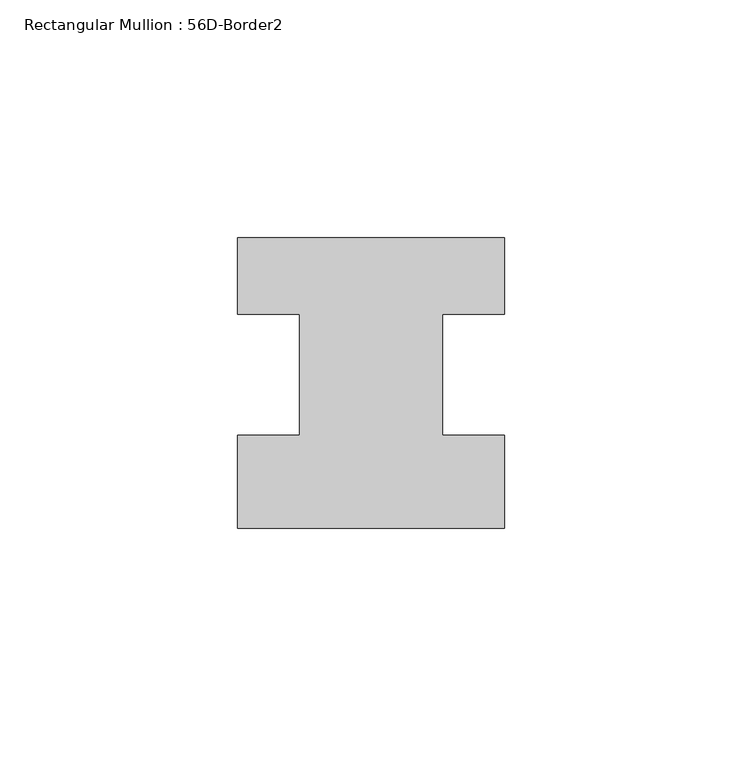
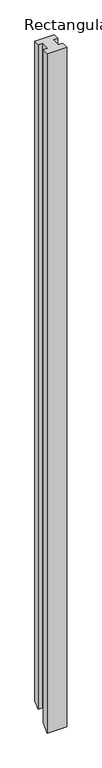
"""IFC4 building model written with IfcOpenShell, lengths in millimetres: member geometry, Rectangular Mullion : 56D-Border2."""

from ifc_helpers import new_model, si_unit, origin, place, context, project, spatial, faceted_brep, source, transform, mapped, element, save


def rectangular_mullion_56d_border2_d1f0a388(model_context):
    return source(origin(), model_context, "Body", "Brep", [
        faceted_brep([(0.0, -20.0, 0.0), (0.0, -0.5, 0.0), (-13.0, -0.5, 0.0), (-13.0, 25.0, 0.0), (0.0, 25.0, 0.0), (0.0, 41.0, 0.0), (-56.0, 41.0, 0.0), (-56.0, 25.0, 0.0), (-43.0, 25.0, 0.0), (-43.0, -0.5, 0.0), (-56.0, -0.5, 0.0), (-56.0, -20.0, 0.0), (0.0, -20.0, -2064.0), (0.0, -0.5, -2044.5), (-13.0, -0.5, -2044.5), (-13.0, 25.0, -2019.0), (0.0, 25.0, -2019.0), (0.0, 41.0, -2003.0), (-56.0, 41.0, -2003.0), (-56.0, 25.0, -2019.0), (-43.0, 25.0, -2019.0), (-43.0, -0.5, -2044.5), (-56.0, -0.5, -2044.5), (-56.0, -20.0, -2064.0)], [[[0, 1, 2, 3, 4, 5, 6, 7, 8, 9, 10, 11]], [[1, 0, 12, 13]], [[2, 1, 13, 14]], [[3, 2, 14, 15]], [[4, 3, 15, 16]], [[5, 4, 16, 17]], [[6, 5, 17, 18]], [[7, 6, 18, 19]], [[8, 7, 19, 20]], [[9, 8, 20, 21]], [[10, 9, 21, 22]], [[11, 10, 22, 23]], [[0, 11, 23, 12]], [[12, 23, 22, 21, 20, 19, 18, 17, 16, 15, 14, 13]]]),
    ])


if __name__ == "__main__":
    model = new_model("IFC4")
    model_context = context("Model", 3, world=origin())
    ifc_project = project(units=[si_unit("LENGTHUNIT", "METRE", prefix="MILLI")], contexts=[model_context])
    site = spatial("IfcSite", under=ifc_project)
    building = spatial("IfcBuilding", under=site)
    placement = place(None, origin())
    rectangular_mullion_56d_border2_shape = rectangular_mullion_56d_border2_d1f0a388(model_context)
    element("IfcMember", 1, ObjectType="Rectangular Mullion : 56D-Border2", at=placement, inside=building, context=model_context, shape_type="MappedRepresentation", body=[
        mapped(rectangular_mullion_56d_border2_shape, transform((0.0, 0.0, 0.0), x_axis=(1.0, 0.0, 0.0), y_axis=(0.0, 1.0, 0.0), z_axis=(0.0, 0.0, 1.0))),
    ])
    save(model, "model.ifc")
